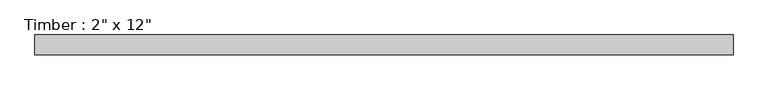
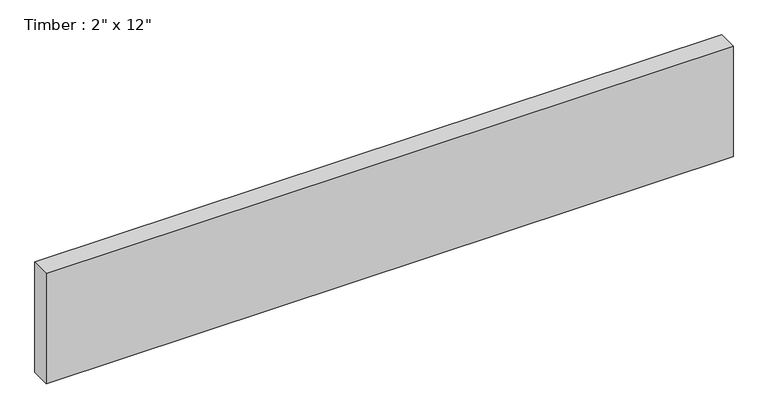
"""IFC4 building model written with IfcOpenShell, lengths in millimetres: beam geometry."""

from ifc_helpers import new_model, si_unit, frame, origin, place, context, project, spatial, polyline, outline, extrude, source, transform, mapped, element, save


def beam_d3f968c2(model_context):
    return source(origin(), model_context, "Body", "SweptSolid", [
        extrude(outline(polyline([(895.3242208, 25.4), (895.3242208, -25.4), (-895.3242208, -25.4), (-895.3242208, 25.4), (895.3242208, 25.4)])), frame((0.0, 0.0, -152.4), z_axis=(0.0, 0.0, 1.0), x_axis=(1.0, 0.0, 0.0)), (0.0, 0.0, 1.0), 304.8),
    ])


if __name__ == "__main__":
    model = new_model("IFC4")
    model_context = context("Model", 3, world=origin())
    ifc_project = project(units=[si_unit("LENGTHUNIT", "METRE", prefix="MILLI")], contexts=[model_context])
    site = spatial("IfcSite", under=ifc_project)
    building = spatial("IfcBuilding", under=site)
    placement = place(None, origin())
    beam_shape = beam_d3f968c2(model_context)
    element("IfcBeam", 1, ObjectType="Timber : 2\" x 12\"", at=placement, inside=building, context=model_context, shape_type="MappedRepresentation", body=[
        mapped(beam_shape, transform((0.0, 0.0, 0.0), x_axis=(1.0, 0.0, 0.0), y_axis=(0.0, 1.0, 0.0), z_axis=(0.0, 0.0, 1.0))),
    ])
    save(model, "model.ifc")
